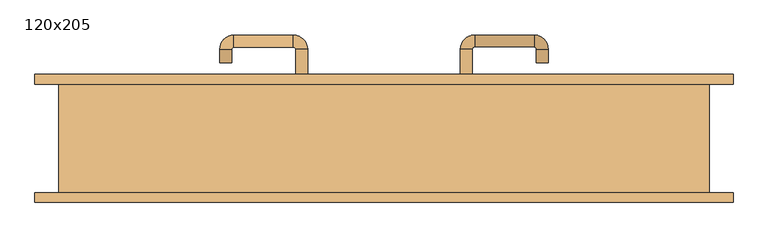
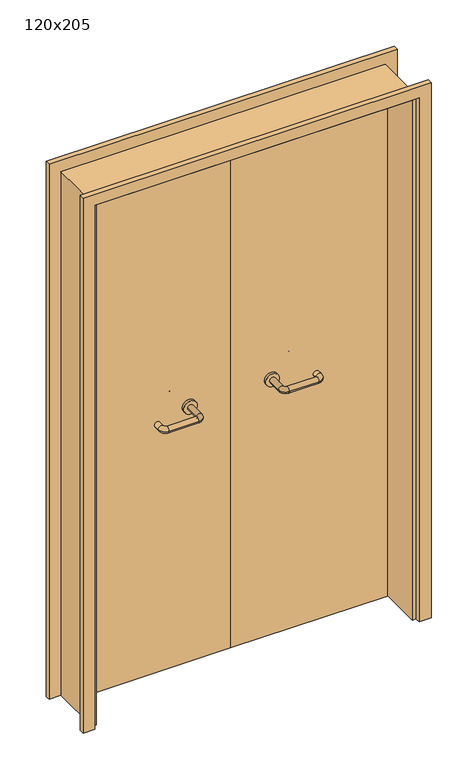
"""IFC4 building model written with IfcOpenShell, lengths in millimetres: door geometry, 120x205."""

from ifc_helpers import new_model, si_unit, point, frame, frame_2d, origin, place, context, project, spatial, polyline, circle_curve, ellipse_curve, trimmed, segment, composite_curve, outline, extrude, source, transform, mapped, element, save
from ifc_brep_helpers import plane_surface, cylinder_surface, revolved_surface, advanced_brep


def door_120x205_8b68643f(model_context):
    return source(origin(), model_context, "Body", "SolidModel", [
        extrude(outline(polyline([(2094.0, 644.0), (2094.0, -644.0), (0.0, -644.0), (0.0, -600.0), (2050.0, -600.0), (2050.0, 600.0), (0.0, 600.0), (0.0, 644.0), (2094.0, 644.0)])), frame((0.0, 100.0, 0.0), z_axis=(0.0, 1.0, 0.0), x_axis=(0.0, 0.0, 1.0)), (0.0, 0.0, 1.0), 18.0),
        extrude(outline(polyline([(2094.0, -644.0), (0.0, -644.0), (0.0, -600.0), (2050.0, -600.0), (2050.0, 600.0), (0.0, 600.0), (0.0, 644.0), (2094.0, 644.0), (2094.0, -644.0)])), frame((0.0, -118.0, 0.0), z_axis=(0.0, 1.0, 0.0), x_axis=(0.0, 0.0, 1.0)), (0.0, 0.0, 1.0), 18.0),
        extrude(outline(polyline([(2050.0, -600.0), (0.0, -600.0), (0.0, -585.0), (2035.0, -585.0), (2035.0, 585.0), (0.0, 585.0), (0.0, 600.0), (2050.0, 600.0), (2050.0, -600.0)])), frame((0.0, -99.0, 0.0), z_axis=(0.0, 1.0, 0.0), x_axis=(0.0, 0.0, 1.0)), (0.0, 0.0, 1.0), 199.0),
        advanced_brep(
        [(140.99898, 46.0, 1003.0), (162.99898, 46.0, 1003.0), (140.99898, -9.3525369, 1003.0), (162.99898, -9.3525369, 1003.0), (166.99898, -13.3525369, 1003.0), (166.99898, -35.3525369, 1003.0), (276.99898, -35.3525369, 1003.0), (276.99898, -13.3525369, 1003.0), (280.99898, -9.3525369, 1003.0), (302.99898, -9.3525369, 1003.0), (302.99898, 8.0, 1003.0), (280.99898, 8.0, 1003.0)],
        [
            (0, 1, circle_curve(frame((151.99898, 46.0, 1003.0), z_axis=(0.0, 1.0, 0.0), x_axis=(1.0, 0.0, 0.0)), 11.0)),
            (1, 0, circle_curve(frame((151.99898, 46.0, 1003.0), z_axis=(0.0, 1.0, 0.0), x_axis=(1.0, 0.0, 0.0)), 11.0)),
            (0, 2),
            (2, 3, circle_curve(frame((151.99898, -9.3525369, 1003.0), z_axis=(0.0, 1.0, 0.0), x_axis=(1.0, 0.0, 0.0)), 11.0)),
            (3, 1),
            (3, 2, circle_curve(frame((151.99898, -9.3525369, 1003.0), z_axis=(0.0, 1.0, 0.0), x_axis=(1.0, 0.0, 0.0)), 11.0)),
            (4, 3, circle_curve(frame((166.99898, -9.3525369, 1003.0), z_axis=(0.0, 0.0, -1.0), x_axis=(-1.0, 0.0, 0.0)), 4.0)),
            (2, 5, circle_curve(frame((166.99898, -9.3525369, 1003.0), z_axis=(0.0, 0.0, 1.0), x_axis=(-1.0, 0.0, 0.0)), 26.0)),
            (5, 4, circle_curve(frame((166.99898, -24.3525369, 1003.0), z_axis=(-1.0, 0.0, 0.0), x_axis=(0.0, 1.0, 0.0)), 11.0)),
            (4, 5, circle_curve(frame((166.99898, -24.3525369, 1003.0), z_axis=(-1.0, 0.0, 0.0), x_axis=(0.0, 1.0, 0.0)), 11.0)),
            (5, 6),
            (6, 7, circle_curve(frame((276.99898, -24.3525369, 1003.0), z_axis=(-1.0, 0.0, 0.0), x_axis=(0.0, 1.0, 0.0)), 11.0)),
            (7, 4),
            (7, 6, circle_curve(frame((276.99898, -24.3525369, 1003.0), z_axis=(-1.0, 0.0, 0.0), x_axis=(0.0, 1.0, 0.0)), 11.0)),
            (8, 7, circle_curve(frame((276.99898, -9.3525369, 1003.0), z_axis=(0.0, 0.0, -1.0), x_axis=(0.0, -1.0, 0.0)), 4.0)),
            (6, 9, circle_curve(frame((276.99898, -9.3525369, 1003.0), z_axis=(0.0, 0.0, 1.0), x_axis=(0.0, -1.0, 0.0)), 26.0)),
            (9, 8, circle_curve(frame((291.99898, -9.3525369, 1003.0), z_axis=(0.0, -1.0, 0.0), x_axis=(-1.0, 0.0, 0.0)), 11.0)),
            (8, 9, circle_curve(frame((291.99898, -9.3525369, 1003.0), z_axis=(0.0, -1.0, 0.0), x_axis=(-1.0, 0.0, 0.0)), 11.0)),
            (10, 11, circle_curve(frame((291.99898, 8.0, 1003.0), z_axis=(0.0, 1.0, 0.0), x_axis=(-1.0, 0.0, 0.0)), 11.0)),
            (11, 10, circle_curve(frame((291.99898, 8.0, 1003.0), z_axis=(0.0, 1.0, 0.0), x_axis=(-1.0, 0.0, 0.0)), 11.0)),
            (9, 10),
            (11, 8),
        ],
        [
            plane_surface(frame((140.99898, 46.0, 1003.0), z_axis=(0.0, 1.0, 0.0), x_axis=(0.0, 0.0, -1.0))),
            cylinder_surface(frame((151.99898, 46.0, 1003.0), z_axis=(0.0, 1.0, 0.0), x_axis=(1.0, 0.0, 0.0)), 11.0),
            revolved_surface(trimmed(ellipse_curve(frame((151.99898, -9.3525369, 1003.0), z_axis=(0.0, 1.0, 0.0), x_axis=(1.0, 0.0, 0.0)), 11.0, 11.0), [point((140.99898, -9.3525369, 1003.0))], [point((162.99898, -9.3525369, 1003.0))], True, "CARTESIAN"), (166.99898, -9.3525369, 1003.0), (0.0, 0.0, 1.0)),
            revolved_surface(trimmed(ellipse_curve(frame((151.99898, -9.3525369, 1003.0), z_axis=(0.0, 1.0, 0.0), x_axis=(1.0, 0.0, 0.0)), 11.0, 11.0), [point((162.99898, -9.3525369, 1003.0))], [point((140.99898, -9.3525369, 1003.0))], True, "CARTESIAN"), (166.99898, -9.3525369, 1003.0), (0.0, 0.0, 1.0)),
            cylinder_surface(frame((166.99898, -24.3525369, 1003.0), z_axis=(-1.0, 0.0, 0.0), x_axis=(0.0, 1.0, 0.0)), 11.0),
            revolved_surface(trimmed(ellipse_curve(frame((276.99898, -24.3525369, 1003.0), z_axis=(-1.0, 0.0, 0.0), x_axis=(0.0, 1.0, 0.0)), 11.0, 11.0), [point((276.99898, -35.3525369, 1003.0))], [point((276.99898, -13.3525369, 1003.0))], True, "CARTESIAN"), (276.99898, -9.3525369, 1003.0), (0.0, 0.0, 1.0)),
            revolved_surface(trimmed(ellipse_curve(frame((276.99898, -24.3525369, 1003.0), z_axis=(-1.0, 0.0, 0.0), x_axis=(0.0, 1.0, 0.0)), 11.0, 11.0), [point((276.99898, -13.3525369, 1003.0))], [point((276.99898, -35.3525369, 1003.0))], True, "CARTESIAN"), (276.99898, -9.3525369, 1003.0), (0.0, 0.0, 1.0)),
            plane_surface(frame((280.99898, 8.0, 1003.0), z_axis=(0.0, 1.0, 0.0), x_axis=(0.0, 0.0, 1.0))),
            cylinder_surface(frame((291.99898, -9.3525369, 1003.0), z_axis=(0.0, -1.0, 0.0), x_axis=(-1.0, 0.0, 0.0)), 11.0),
        ],
        [
            (0, [[1, 2]]),
            (1, [[-1, 3, 4, 5]]),
            (1, [[-2, -5, 6, -3]]),
            (2, [[7, -4, 8, 9]]),
            (3, [[-8, -6, -7, 10]]),
            (4, [[-9, 11, 12, 13]]),
            (4, [[-10, -13, 14, -11]]),
            (5, [[15, -12, 16, 17]]),
            (6, [[-16, -14, -15, 18]]),
            (7, [[19, 20]]),
            (8, [[-17, 21, -20, 22]]),
            (8, [[-18, -22, -19, -21]]),
        ],
    ),
        extrude(outline(composite_curve([segment(trimmed(circle_curve(frame_2d((1003.0, 151.99898)), 25.0), [point((1003.0, 126.99898))], [point((1003.0, 176.99898))], False, "CARTESIAN"), True, "CONTINUOUS"), segment(trimmed(circle_curve(frame_2d((1003.0, 151.99898)), 25.0), [point((1003.0, 176.99898))], [point((1003.0, 126.99898))], False, "CARTESIAN"), True, "CONTINUOUS")], self_intersect=False)), frame((0.0, 46.0, 0.0), z_axis=(0.0, 1.0, 0.0), x_axis=(0.0, 0.0, 1.0)), (0.0, 0.0, 1.0), 10.0),
        advanced_brep(
        [(162.99898, 110.0, 1003.0), (140.99898, 110.0, 1003.0), (162.99898, 165.0, 1003.0), (140.99898, 165.0, 1003.0), (166.99898, 191.0, 1003.0), (166.99898, 169.0, 1003.0), (276.99898, 169.0, 1003.0), (276.99898, 191.0, 1003.0), (302.99898, 165.0, 1003.0), (280.99898, 165.0, 1003.0), (280.99898, 140.0, 1003.0), (302.99898, 140.0, 1003.0)],
        [
            (0, 1, circle_curve(frame((151.99898, 110.0, 1003.0), z_axis=(0.0, -1.0, 0.0), x_axis=(-1.0, 0.0, 0.0)), 11.0)),
            (1, 0, circle_curve(frame((151.99898, 110.0, 1003.0), z_axis=(0.0, -1.0, 0.0), x_axis=(-1.0, 0.0, 0.0)), 11.0)),
            (0, 2),
            (2, 3, circle_curve(frame((151.99898, 165.0, 1003.0), z_axis=(0.0, -1.0, 0.0), x_axis=(-1.0, 0.0, 0.0)), 11.0)),
            (3, 1),
            (3, 2, circle_curve(frame((151.99898, 165.0, 1003.0), z_axis=(0.0, -1.0, 0.0), x_axis=(-1.0, 0.0, 0.0)), 11.0)),
            (4, 3, circle_curve(frame((166.99898, 165.0, 1003.0), z_axis=(0.0, 0.0, 1.0), x_axis=(-1.0, 0.0, 0.0)), 26.0)),
            (2, 5, circle_curve(frame((166.99898, 165.0, 1003.0), z_axis=(0.0, 0.0, -1.0), x_axis=(-1.0, 0.0, 0.0)), 4.0)),
            (5, 4, circle_curve(frame((166.99898, 180.0, 1003.0), z_axis=(-1.0, 0.0, 0.0), x_axis=(0.0, 1.0, 0.0)), 11.0)),
            (4, 5, circle_curve(frame((166.99898, 180.0, 1003.0), z_axis=(-1.0, 0.0, 0.0), x_axis=(0.0, 1.0, 0.0)), 11.0)),
            (5, 6),
            (6, 7, circle_curve(frame((276.99898, 180.0, 1003.0), z_axis=(-1.0, 0.0, 0.0), x_axis=(0.0, 1.0, 0.0)), 11.0)),
            (7, 4),
            (7, 6, circle_curve(frame((276.99898, 180.0, 1003.0), z_axis=(-1.0, 0.0, 0.0), x_axis=(0.0, 1.0, 0.0)), 11.0)),
            (8, 7, circle_curve(frame((276.99898, 165.0, 1003.0), z_axis=(0.0, 0.0, 1.0), x_axis=(0.0, 1.0, 0.0)), 26.0)),
            (6, 9, circle_curve(frame((276.99898, 165.0, 1003.0), z_axis=(0.0, 0.0, -1.0), x_axis=(0.0, 1.0, 0.0)), 4.0)),
            (9, 8, circle_curve(frame((291.99898, 165.0, 1003.0), z_axis=(0.0, 1.0, 0.0), x_axis=(1.0, 0.0, 0.0)), 11.0)),
            (8, 9, circle_curve(frame((291.99898, 165.0, 1003.0), z_axis=(0.0, 1.0, 0.0), x_axis=(1.0, 0.0, 0.0)), 11.0)),
            (10, 11, circle_curve(frame((291.99898, 140.0, 1003.0), z_axis=(0.0, -1.0, 0.0), x_axis=(1.0, 0.0, 0.0)), 11.0)),
            (11, 10, circle_curve(frame((291.99898, 140.0, 1003.0), z_axis=(0.0, -1.0, 0.0), x_axis=(1.0, 0.0, 0.0)), 11.0)),
            (9, 10),
            (11, 8),
        ],
        [
            plane_surface(frame((140.99898, 110.0, 1003.0), z_axis=(0.0, -1.0, 0.0), x_axis=(0.0, 0.0, 1.0))),
            cylinder_surface(frame((151.99898, 110.0, 1003.0), z_axis=(0.0, -1.0, 0.0), x_axis=(-1.0, 0.0, 0.0)), 11.0),
            revolved_surface(trimmed(ellipse_curve(frame((151.99898, 165.0, 1003.0), z_axis=(0.0, -1.0, 0.0), x_axis=(-1.0, 0.0, 0.0)), 11.0, 11.0), [point((162.99898, 165.0, 1003.0))], [point((140.99898, 165.0, 1003.0))], True, "CARTESIAN"), (166.99898, 165.0, 1003.0), (0.0, 0.0, -1.0)),
            revolved_surface(trimmed(ellipse_curve(frame((151.99898, 165.0, 1003.0), z_axis=(0.0, -1.0, 0.0), x_axis=(-1.0, 0.0, 0.0)), 11.0, 11.0), [point((140.99898, 165.0, 1003.0))], [point((162.99898, 165.0, 1003.0))], True, "CARTESIAN"), (166.99898, 165.0, 1003.0), (0.0, 0.0, -1.0)),
            cylinder_surface(frame((166.99898, 180.0, 1003.0), z_axis=(-1.0, 0.0, 0.0), x_axis=(0.0, 1.0, 0.0)), 11.0),
            revolved_surface(trimmed(ellipse_curve(frame((276.99898, 180.0, 1003.0), z_axis=(-1.0, 0.0, 0.0), x_axis=(0.0, 1.0, 0.0)), 11.0, 11.0), [point((276.99898, 169.0, 1003.0))], [point((276.99898, 191.0, 1003.0))], True, "CARTESIAN"), (276.99898, 165.0, 1003.0), (0.0, 0.0, -1.0)),
            revolved_surface(trimmed(ellipse_curve(frame((276.99898, 180.0, 1003.0), z_axis=(-1.0, 0.0, 0.0), x_axis=(0.0, 1.0, 0.0)), 11.0, 11.0), [point((276.99898, 191.0, 1003.0))], [point((276.99898, 169.0, 1003.0))], True, "CARTESIAN"), (276.99898, 165.0, 1003.0), (0.0, 0.0, -1.0)),
            plane_surface(frame((280.99898, 140.0, 1003.0), z_axis=(0.0, -1.0, 0.0), x_axis=(0.0, 0.0, -1.0))),
            cylinder_surface(frame((291.99898, 165.0, 1003.0), z_axis=(0.0, 1.0, 0.0), x_axis=(1.0, 0.0, 0.0)), 11.0),
        ],
        [
            (0, [[1, 2]]),
            (1, [[-1, 3, 4, 5]]),
            (1, [[-2, -5, 6, -3]]),
            (2, [[7, -4, 8, 9]]),
            (3, [[-8, -6, -7, 10]]),
            (4, [[-9, 11, 12, 13]]),
            (4, [[-10, -13, 14, -11]]),
            (5, [[15, -12, 16, 17]]),
            (6, [[-16, -14, -15, 18]]),
            (7, [[19, 20]]),
            (8, [[-17, 21, -20, 22]]),
            (8, [[-18, -22, -19, -21]]),
        ],
    ),
        extrude(outline(composite_curve([segment(trimmed(circle_curve(frame_2d((1003.0, 151.99898)), 25.0), [point((1003.0, 176.99898))], [point((1003.0, 126.99898))], False, "CARTESIAN"), True, "CONTINUOUS"), segment(trimmed(circle_curve(frame_2d((1003.0, 151.99898)), 25.0), [point((1003.0, 126.99898))], [point((1003.0, 176.99898))], False, "CARTESIAN"), True, "CONTINUOUS")], self_intersect=False)), frame((0.0, 100.0, 0.0), z_axis=(0.0, 1.0, 0.0), x_axis=(0.0, 0.0, 1.0)), (0.0, 0.0, 1.0), 10.0),
        advanced_brep(
        [(-162.99898, 45.6886121, 1003.0), (-140.99898, 45.6886121, 1003.0), (-162.99898, -9.7220447, 1003.0), (-140.99898, -9.7220447, 1003.0), (-166.99898, -35.7220447, 1003.0), (-166.99898, -13.7220447, 1003.0), (-276.99898, -13.7220447, 1003.0), (-276.99898, -35.7220447, 1003.0), (-302.99898, -9.7220447, 1003.0), (-280.99898, -9.7220447, 1003.0), (-280.99898, 15.2779553, 1003.0), (-302.99898, 15.2779553, 1003.0)],
        [
            (0, 1, circle_curve(frame((-151.99898, 45.6886121, 1003.0), z_axis=(0.0, 1.0, 0.0), x_axis=(1.0, 0.0, 0.0)), 11.0)),
            (1, 0, circle_curve(frame((-151.99898, 45.6886121, 1003.0), z_axis=(0.0, 1.0, 0.0), x_axis=(1.0, 0.0, 0.0)), 11.0)),
            (0, 2),
            (2, 3, circle_curve(frame((-151.99898, -9.7220447, 1003.0), z_axis=(0.0, 1.0, 0.0), x_axis=(1.0, 0.0, 0.0)), 11.0)),
            (3, 1),
            (3, 2, circle_curve(frame((-151.99898, -9.7220447, 1003.0), z_axis=(0.0, 1.0, 0.0), x_axis=(1.0, 0.0, 0.0)), 11.0)),
            (4, 3, circle_curve(frame((-166.99898, -9.7220447, 1003.0), z_axis=(0.0, 0.0, 1.0), x_axis=(1.0, 0.0, 0.0)), 26.0)),
            (2, 5, circle_curve(frame((-166.99898, -9.7220447, 1003.0), z_axis=(0.0, 0.0, -1.0), x_axis=(1.0, 0.0, 0.0)), 4.0)),
            (5, 4, circle_curve(frame((-166.99898, -24.7220447, 1003.0), z_axis=(1.0, 0.0, 0.0), x_axis=(0.0, -1.0, 0.0)), 11.0)),
            (4, 5, circle_curve(frame((-166.99898, -24.7220447, 1003.0), z_axis=(1.0, 0.0, 0.0), x_axis=(0.0, -1.0, 0.0)), 11.0)),
            (5, 6),
            (6, 7, circle_curve(frame((-276.99898, -24.7220447, 1003.0), z_axis=(1.0, 0.0, 0.0), x_axis=(0.0, -1.0, 0.0)), 11.0)),
            (7, 4),
            (7, 6, circle_curve(frame((-276.99898, -24.7220447, 1003.0), z_axis=(1.0, 0.0, 0.0), x_axis=(0.0, -1.0, 0.0)), 11.0)),
            (8, 7, circle_curve(frame((-276.99898, -9.7220447, 1003.0), z_axis=(0.0, 0.0, 1.0), x_axis=(0.0, -1.0, 0.0)), 26.0)),
            (6, 9, circle_curve(frame((-276.99898, -9.7220447, 1003.0), z_axis=(0.0, 0.0, -1.0), x_axis=(0.0, -1.0, 0.0)), 4.0)),
            (9, 8, circle_curve(frame((-291.99898, -9.7220447, 1003.0), z_axis=(0.0, -1.0, 0.0), x_axis=(-1.0, 0.0, 0.0)), 11.0)),
            (8, 9, circle_curve(frame((-291.99898, -9.7220447, 1003.0), z_axis=(0.0, -1.0, 0.0), x_axis=(-1.0, 0.0, 0.0)), 11.0)),
            (10, 11, circle_curve(frame((-291.99898, 15.2779553, 1003.0), z_axis=(0.0, 1.0, 0.0), x_axis=(-1.0, 0.0, 0.0)), 11.0)),
            (11, 10, circle_curve(frame((-291.99898, 15.2779553, 1003.0), z_axis=(0.0, 1.0, 0.0), x_axis=(-1.0, 0.0, 0.0)), 11.0)),
            (9, 10),
            (11, 8),
        ],
        [
            plane_surface(frame((-162.99898, 45.6886121, 1003.0), z_axis=(0.0, 1.0, 0.0), x_axis=(0.0, 0.0, -1.0))),
            cylinder_surface(frame((-151.99898, 45.6886121, 1003.0), z_axis=(0.0, 1.0, 0.0), x_axis=(1.0, 0.0, 0.0)), 11.0),
            revolved_surface(trimmed(ellipse_curve(frame((-151.99898, -9.7220447, 1003.0), z_axis=(0.0, 1.0, 0.0), x_axis=(1.0, 0.0, 0.0)), 11.0, 11.0), [point((-162.99898, -9.7220447, 1003.0))], [point((-140.99898, -9.7220447, 1003.0))], True, "CARTESIAN"), (-166.99898, -9.7220447, 1003.0), (0.0, 0.0, -1.0)),
            revolved_surface(trimmed(ellipse_curve(frame((-151.99898, -9.7220447, 1003.0), z_axis=(0.0, 1.0, 0.0), x_axis=(1.0, 0.0, 0.0)), 11.0, 11.0), [point((-140.99898, -9.7220447, 1003.0))], [point((-162.99898, -9.7220447, 1003.0))], True, "CARTESIAN"), (-166.99898, -9.7220447, 1003.0), (0.0, 0.0, -1.0)),
            cylinder_surface(frame((-166.99898, -24.7220447, 1003.0), z_axis=(1.0, 0.0, 0.0), x_axis=(0.0, -1.0, 0.0)), 11.0),
            revolved_surface(trimmed(ellipse_curve(frame((-276.99898, -24.7220447, 1003.0), z_axis=(1.0, 0.0, 0.0), x_axis=(0.0, -1.0, 0.0)), 11.0, 11.0), [point((-276.99898, -13.7220447, 1003.0))], [point((-276.99898, -35.7220447, 1003.0))], True, "CARTESIAN"), (-276.99898, -9.7220447, 1003.0), (0.0, 0.0, -1.0)),
            revolved_surface(trimmed(ellipse_curve(frame((-276.99898, -24.7220447, 1003.0), z_axis=(1.0, 0.0, 0.0), x_axis=(0.0, -1.0, 0.0)), 11.0, 11.0), [point((-276.99898, -35.7220447, 1003.0))], [point((-276.99898, -13.7220447, 1003.0))], True, "CARTESIAN"), (-276.99898, -9.7220447, 1003.0), (0.0, 0.0, -1.0)),
            plane_surface(frame((-302.99898, 15.2779553, 1003.0), z_axis=(0.0, 1.0, 0.0), x_axis=(0.0, 0.0, 1.0))),
            cylinder_surface(frame((-291.99898, -9.7220447, 1003.0), z_axis=(0.0, -1.0, 0.0), x_axis=(-1.0, 0.0, 0.0)), 11.0),
        ],
        [
            (0, [[1, 2]]),
            (1, [[-1, 3, 4, 5]]),
            (1, [[-2, -5, 6, -3]]),
            (2, [[7, -4, 8, 9]]),
            (3, [[-8, -6, -7, 10]]),
            (4, [[-9, 11, 12, 13]]),
            (4, [[-10, -13, 14, -11]]),
            (5, [[15, -12, 16, 17]]),
            (6, [[-16, -14, -15, 18]]),
            (7, [[19, 20]]),
            (8, [[-17, 21, -20, 22]]),
            (8, [[-18, -22, -19, -21]]),
        ],
    ),
        extrude(outline(composite_curve([segment(trimmed(circle_curve(frame_2d((1003.0, -151.99898)), 25.0), [point((1003.0, -176.99898))], [point((1003.0, -126.99898))], False, "CARTESIAN"), True, "CONTINUOUS"), segment(trimmed(circle_curve(frame_2d((1003.0, -151.99898)), 25.0), [point((1003.0, -126.99898))], [point((1003.0, -176.99898))], False, "CARTESIAN"), True, "CONTINUOUS")], self_intersect=False)), frame((0.0, 45.6886121, 0.0), z_axis=(0.0, 1.0, 0.0), x_axis=(0.0, 0.0, 1.0)), (0.0, 0.0, 1.0), 10.3113879),
        advanced_brep(
        [(-140.99898, 109.5143417, 1003.0), (-162.99898, 109.5143417, 1003.0), (-140.99898, 164.6104656, 1003.0), (-162.99898, 164.6104656, 1003.0), (-166.99898, 168.6104656, 1003.0), (-166.99898, 190.6104656, 1003.0), (-276.99898, 190.6104656, 1003.0), (-276.99898, 168.6104656, 1003.0), (-280.99898, 164.6104656, 1003.0), (-302.99898, 164.6104656, 1003.0), (-302.99898, 139.6104656, 1003.0), (-280.99898, 139.6104656, 1003.0)],
        [
            (0, 1, circle_curve(frame((-151.99898, 109.5143417, 1003.0), z_axis=(0.0, -1.0, 0.0), x_axis=(-1.0, 0.0, 0.0)), 11.0)),
            (1, 0, circle_curve(frame((-151.99898, 109.5143417, 1003.0), z_axis=(0.0, -1.0, 0.0), x_axis=(-1.0, 0.0, 0.0)), 11.0)),
            (0, 2),
            (2, 3, circle_curve(frame((-151.99898, 164.6104656, 1003.0), z_axis=(0.0, -1.0, 0.0), x_axis=(-1.0, 0.0, 0.0)), 11.0)),
            (3, 1),
            (3, 2, circle_curve(frame((-151.99898, 164.6104656, 1003.0), z_axis=(0.0, -1.0, 0.0), x_axis=(-1.0, 0.0, 0.0)), 11.0)),
            (4, 3, circle_curve(frame((-166.99898, 164.6104656, 1003.0), z_axis=(0.0, 0.0, -1.0), x_axis=(1.0, 0.0, 0.0)), 4.0)),
            (2, 5, circle_curve(frame((-166.99898, 164.6104656, 1003.0), z_axis=(0.0, 0.0, 1.0), x_axis=(1.0, 0.0, 0.0)), 26.0)),
            (5, 4, circle_curve(frame((-166.99898, 179.6104656, 1003.0), z_axis=(1.0, 0.0, 0.0), x_axis=(0.0, -1.0, 0.0)), 11.0)),
            (4, 5, circle_curve(frame((-166.99898, 179.6104656, 1003.0), z_axis=(1.0, 0.0, 0.0), x_axis=(0.0, -1.0, 0.0)), 11.0)),
            (5, 6),
            (6, 7, circle_curve(frame((-276.99898, 179.6104656, 1003.0), z_axis=(1.0, 0.0, 0.0), x_axis=(0.0, -1.0, 0.0)), 11.0)),
            (7, 4),
            (7, 6, circle_curve(frame((-276.99898, 179.6104656, 1003.0), z_axis=(1.0, 0.0, 0.0), x_axis=(0.0, -1.0, 0.0)), 11.0)),
            (8, 7, circle_curve(frame((-276.99898, 164.6104656, 1003.0), z_axis=(0.0, 0.0, -1.0), x_axis=(0.0, 1.0, 0.0)), 4.0)),
            (6, 9, circle_curve(frame((-276.99898, 164.6104656, 1003.0), z_axis=(0.0, 0.0, 1.0), x_axis=(0.0, 1.0, 0.0)), 26.0)),
            (9, 8, circle_curve(frame((-291.99898, 164.6104656, 1003.0), z_axis=(0.0, 1.0, 0.0), x_axis=(1.0, 0.0, 0.0)), 11.0)),
            (8, 9, circle_curve(frame((-291.99898, 164.6104656, 1003.0), z_axis=(0.0, 1.0, 0.0), x_axis=(1.0, 0.0, 0.0)), 11.0)),
            (10, 11, circle_curve(frame((-291.99898, 139.6104656, 1003.0), z_axis=(0.0, -1.0, 0.0), x_axis=(1.0, 0.0, 0.0)), 11.0)),
            (11, 10, circle_curve(frame((-291.99898, 139.6104656, 1003.0), z_axis=(0.0, -1.0, 0.0), x_axis=(1.0, 0.0, 0.0)), 11.0)),
            (9, 10),
            (11, 8),
        ],
        [
            plane_surface(frame((-162.99898, 109.5143417, 1003.0), z_axis=(0.0, -1.0, 0.0), x_axis=(0.0, 0.0, 1.0))),
            cylinder_surface(frame((-151.99898, 109.5143417, 1003.0), z_axis=(0.0, -1.0, 0.0), x_axis=(-1.0, 0.0, 0.0)), 11.0),
            revolved_surface(trimmed(ellipse_curve(frame((-151.99898, 164.6104656, 1003.0), z_axis=(0.0, -1.0, 0.0), x_axis=(-1.0, 0.0, 0.0)), 11.0, 11.0), [point((-140.99898, 164.6104656, 1003.0))], [point((-162.99898, 164.6104656, 1003.0))], True, "CARTESIAN"), (-166.99898, 164.6104656, 1003.0), (0.0, 0.0, 1.0)),
            revolved_surface(trimmed(ellipse_curve(frame((-151.99898, 164.6104656, 1003.0), z_axis=(0.0, -1.0, 0.0), x_axis=(-1.0, 0.0, 0.0)), 11.0, 11.0), [point((-162.99898, 164.6104656, 1003.0))], [point((-140.99898, 164.6104656, 1003.0))], True, "CARTESIAN"), (-166.99898, 164.6104656, 1003.0), (0.0, 0.0, 1.0)),
            cylinder_surface(frame((-166.99898, 179.6104656, 1003.0), z_axis=(1.0, 0.0, 0.0), x_axis=(0.0, -1.0, 0.0)), 11.0),
            revolved_surface(trimmed(ellipse_curve(frame((-276.99898, 179.6104656, 1003.0), z_axis=(1.0, 0.0, 0.0), x_axis=(0.0, -1.0, 0.0)), 11.0, 11.0), [point((-276.99898, 190.6104656, 1003.0))], [point((-276.99898, 168.6104656, 1003.0))], True, "CARTESIAN"), (-276.99898, 164.6104656, 1003.0), (0.0, 0.0, 1.0)),
            revolved_surface(trimmed(ellipse_curve(frame((-276.99898, 179.6104656, 1003.0), z_axis=(1.0, 0.0, 0.0), x_axis=(0.0, -1.0, 0.0)), 11.0, 11.0), [point((-276.99898, 168.6104656, 1003.0))], [point((-276.99898, 190.6104656, 1003.0))], True, "CARTESIAN"), (-276.99898, 164.6104656, 1003.0), (0.0, 0.0, 1.0)),
            plane_surface(frame((-302.99898, 139.6104656, 1003.0), z_axis=(0.0, -1.0, 0.0), x_axis=(0.0, 0.0, -1.0))),
            cylinder_surface(frame((-291.99898, 164.6104656, 1003.0), z_axis=(0.0, 1.0, 0.0), x_axis=(1.0, 0.0, 0.0)), 11.0),
        ],
        [
            (0, [[1, 2]]),
            (1, [[-1, 3, 4, 5]]),
            (1, [[-2, -5, 6, -3]]),
            (2, [[7, -4, 8, 9]]),
            (3, [[-8, -6, -7, 10]]),
            (4, [[-9, 11, 12, 13]]),
            (4, [[-10, -13, 14, -11]]),
            (5, [[15, -12, 16, 17]]),
            (6, [[-16, -14, -15, 18]]),
            (7, [[19, 20]]),
            (8, [[-17, 21, -20, 22]]),
            (8, [[-18, -22, -19, -21]]),
        ],
    ),
        extrude(outline(composite_curve([segment(trimmed(circle_curve(frame_2d((1003.0, -151.99898)), 25.0), [point((1003.0, -126.99898))], [point((1003.0, -176.99898))], False, "CARTESIAN"), True, "CONTINUOUS"), segment(trimmed(circle_curve(frame_2d((1003.0, -151.99898)), 25.0), [point((1003.0, -176.99898))], [point((1003.0, -126.99898))], False, "CARTESIAN"), True, "CONTINUOUS")], self_intersect=False)), frame((0.0, 100.0, 0.0), z_axis=(0.0, 1.0, 0.0), x_axis=(0.0, 0.0, 1.0)), (0.0, 0.0, 1.0), 9.5143417),
        extrude(outline(polyline([(1.0739506, 56.0), (-582.0, 56.0), (-582.0, 100.0), (1.0739506, 100.0), (1.0739506, 56.0)])), frame((0.0, 0.0, 1.753223), z_axis=(0.0, 0.0, 1.0), x_axis=(1.0, 0.0, 0.0)), (0.0, 0.0, 1.0), 2024.246777),
        extrude(outline(polyline([(582.0, 56.0), (1.0739506, 56.0), (1.0739506, 100.0), (582.0, 100.0), (582.0, 56.0)])), frame((0.0, 0.0, 1.753223), z_axis=(0.0, 0.0, 1.0), x_axis=(1.0, 0.0, 0.0)), (0.0, 0.0, 1.0), 2033.246777),
    ])


if __name__ == "__main__":
    model = new_model("IFC4")
    model_context = context("Model", 3, world=origin())
    ifc_project = project(units=[si_unit("LENGTHUNIT", "METRE", prefix="MILLI")], contexts=[model_context])
    site = spatial("IfcSite", under=ifc_project)
    building = spatial("IfcBuilding", under=site)
    placement = place(None, origin())
    door_120x205_shape = door_120x205_8b68643f(model_context)
    element("IfcDoor", 1, ObjectType="120x205", at=placement, inside=building, context=model_context, shape_type="MappedRepresentation", body=[
        mapped(door_120x205_shape, transform((0.0, 0.0, 0.0), x_axis=(1.0, 0.0, 0.0), y_axis=(0.0, 1.0, 0.0), z_axis=(0.0, 0.0, 1.0))),
    ])
    save(model, "model.ifc")
